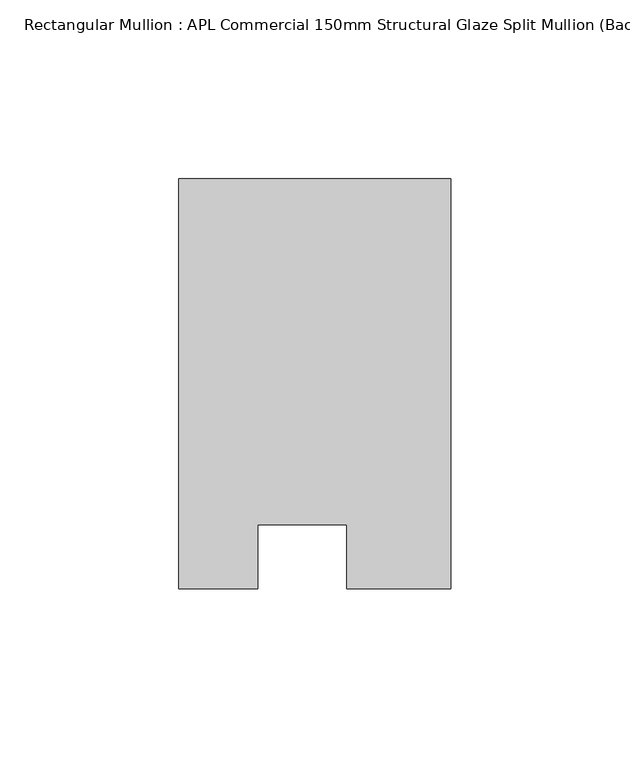
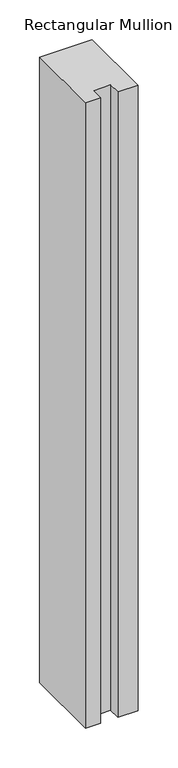
"""IFC4 building model written with IfcOpenShell, lengths in millimetres: member geometry, Rectangular Mullion : APL Commercial 150mm Structural Glaze Split Mullion (Back)."""

from ifc_helpers import new_model, si_unit, frame, origin, place, context, project, spatial, polyline, outline, extrude, source, transform, mapped, element, save


def rectangular_mullion_apl_commercial_150mm_structural_glaze_315fade5(model_context):
    return source(origin(), model_context, "Body", "SweptSolid", [
        extrude(outline(polyline([(37.9999914, 129.5195626), (37.9999914, 14.9960123), (9.0, 14.9960123), (9.0, 32.7960123), (-16.0, 32.7960123), (-16.0, 14.9960123), (-37.9999896, 14.9960123), (-37.9999896, 129.5195626), (37.9999914, 129.5195626)])), frame((0.0, 0.0, -956.8333295), z_axis=(0.0, 0.0, 1.0), x_axis=(1.0, 0.0, 0.0)), (0.0, 0.0, 1.0), 956.8333295),
    ])


if __name__ == "__main__":
    model = new_model("IFC4")
    model_context = context("Model", 3, world=origin())
    ifc_project = project(units=[si_unit("LENGTHUNIT", "METRE", prefix="MILLI")], contexts=[model_context])
    site = spatial("IfcSite", under=ifc_project)
    building = spatial("IfcBuilding", under=site)
    placement = place(None, origin())
    rectangular_mullion_apl_commercial_150mm_structural_glaze_shape = rectangular_mullion_apl_commercial_150mm_structural_glaze_315fade5(model_context)
    element("IfcMember", 1, ObjectType="Rectangular Mullion : APL Commercial 150mm Structural Glaze Split Mullion (Back)", at=placement, inside=building, context=model_context, shape_type="MappedRepresentation", body=[
        mapped(rectangular_mullion_apl_commercial_150mm_structural_glaze_shape, transform((0.0, 0.0, 0.0), x_axis=(1.0, 0.0, 0.0), y_axis=(0.0, 1.0, 0.0), z_axis=(0.0, 0.0, 1.0))),
    ])
    save(model, "model.ifc")
